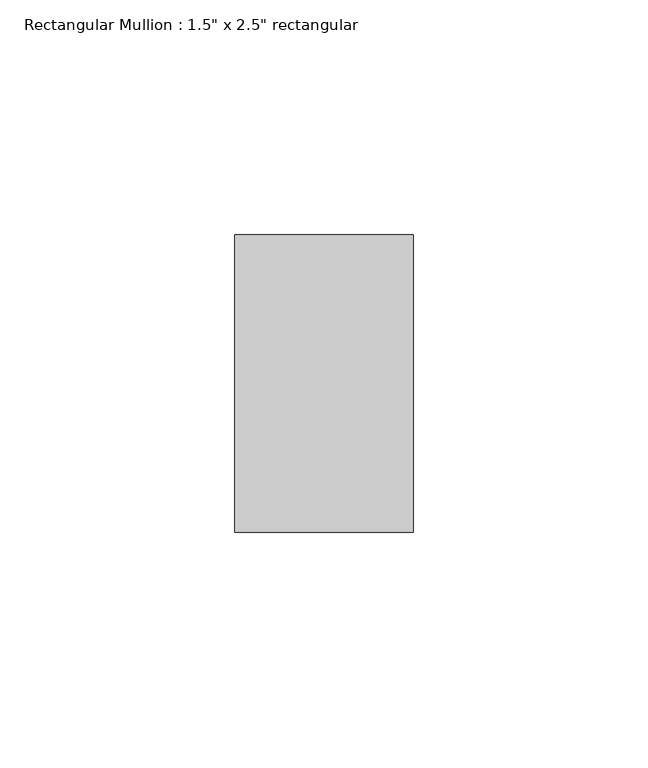
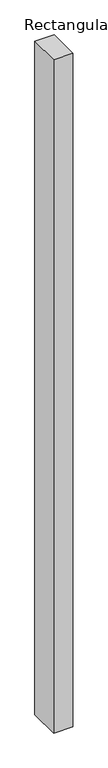
"""IFC4 building model written with IfcOpenShell, lengths in millimetres: member geometry."""

from ifc_helpers import new_model, si_unit, frame, origin, place, context, project, spatial, polyline, outline, extrude, source, transform, mapped, element, save


def member_6599ea27(model_context):
    return source(origin(), model_context, "Body", "SweptSolid", [
        extrude(outline(polyline([(19.05, -19.05), (19.05, -82.55), (-19.05, -82.55), (-19.05, -19.05), (19.05, -19.05)])), frame((0.0, 0.0, -1401.826), z_axis=(0.0, 0.0, 1.0), x_axis=(1.0, 0.0, 0.0)), (0.0, 0.0, 1.0), 1401.826),
    ])


if __name__ == "__main__":
    model = new_model("IFC4")
    model_context = context("Model", 3, world=origin())
    ifc_project = project(units=[si_unit("LENGTHUNIT", "METRE", prefix="MILLI")], contexts=[model_context])
    site = spatial("IfcSite", under=ifc_project)
    building = spatial("IfcBuilding", under=site)
    placement = place(None, origin())
    member_shape = member_6599ea27(model_context)
    element("IfcMember", 1, ObjectType="Rectangular Mullion : 1.5\" x 2.5\" rectangular", at=placement, inside=building, context=model_context, shape_type="MappedRepresentation", body=[
        mapped(member_shape, transform((0.0, 0.0, 0.0), x_axis=(1.0, 0.0, 0.0), y_axis=(0.0, 1.0, 0.0), z_axis=(0.0, 0.0, 1.0))),
    ])
    save(model, "model.ifc")
